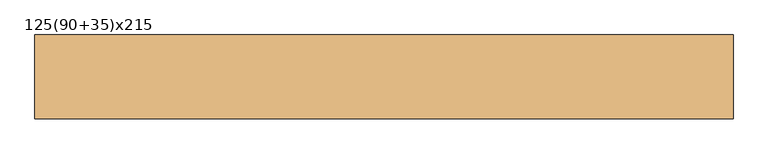
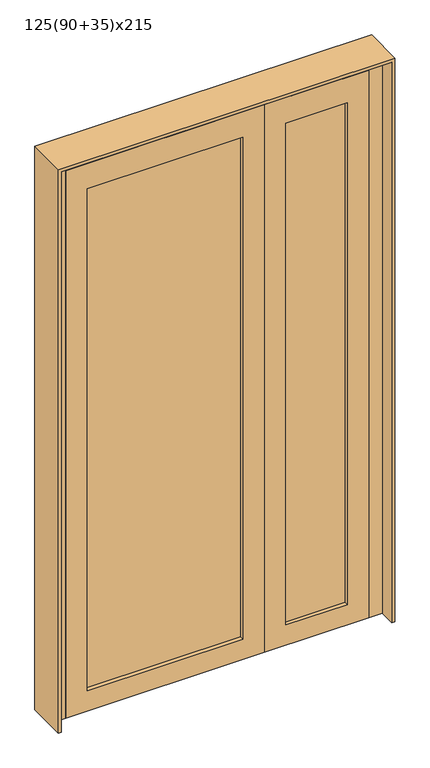
"""IFC4 building model written with IfcOpenShell, lengths in millimetres: door geometry, 125(90+35)x215."""

from ifc_helpers import new_model, si_unit, frame, origin, place, context, project, spatial, polyline, outline, extrude, source, transform, mapped, element, save


def door_125_90_35_x215_6d5ce191(model_context):
    return source(origin(), model_context, "Body", "SweptSolid", [
        extrude(outline(polyline([(95.0, 0.0), (-483.0, 0.0), (-483.0, 60.0), (95.0, 60.0), (95.0, 0.0)])), frame((0.0, 0.0, 80.0), z_axis=(0.0, 0.0, 1.0), x_axis=(1.0, 0.0, 0.0)), (0.0, 0.0, 1.0), 1970.0),
        extrude(outline(polyline([(483.0, 0.0), (255.0, 0.0), (255.0, 60.0), (483.0, 60.0), (483.0, 0.0)])), frame((0.0, 0.0, 80.0), z_axis=(0.0, 0.0, 1.0), x_axis=(1.0, 0.0, 0.0)), (0.0, 0.0, 1.0), 1970.0),
        extrude(outline(polyline([(0.0, 175.0), (2150.0, 175.0), (2150.0, -563.0), (0.0, -563.0), (0.0, 175.0)]), holes=[polyline([(80.0, -483.0), (2050.0, -483.0), (2050.0, 95.0), (80.0, 95.0), (80.0, -483.0)])]), frame((0.0, -15.0, 0.0), z_axis=(0.0, 1.0, 0.0), x_axis=(0.0, 0.0, 1.0)), (0.0, 0.0, 1.0), 90.0),
        extrude(outline(polyline([(2150.0, 563.0), (2150.0, 175.0), (0.0, 175.0), (0.0, 563.0), (2150.0, 563.0)]), holes=[polyline([(2050.0, 483.0), (80.0, 483.0), (80.0, 255.0), (2050.0, 255.0), (2050.0, 483.0)])]), frame((0.0, -15.0, 0.0), z_axis=(0.0, 1.0, 0.0), x_axis=(0.0, 0.0, 1.0)), (0.0, 0.0, 1.0), 90.0),
        extrude(outline(polyline([(2200.0, 613.0), (2200.0, -613.0), (0.0, -613.0), (0.0, -563.0), (2150.0, -563.0), (2150.0, 563.0), (0.0, 563.0), (0.0, 613.0), (2200.0, 613.0)])), frame((0.0, -15.0, 0.0), z_axis=(0.0, 1.0, 0.0), x_axis=(0.0, 0.0, 1.0)), (0.0, 0.0, 1.0), 90.0),
        extrude(outline(polyline([(0.0, 625.0), (2212.0, 625.0), (2212.0, -625.0), (0.0, -625.0), (0.0, -613.0), (2200.0, -613.0), (2200.0, 613.0), (0.0, 613.0), (0.0, 625.0)])), frame((0.0, -75.0, 0.0), z_axis=(0.0, 1.0, 0.0), x_axis=(0.0, 0.0, 1.0)), (0.0, 0.0, 1.0), 150.0),
    ])


if __name__ == "__main__":
    model = new_model("IFC4")
    model_context = context("Model", 3, world=origin())
    ifc_project = project(units=[si_unit("LENGTHUNIT", "METRE", prefix="MILLI")], contexts=[model_context])
    site = spatial("IfcSite", under=ifc_project)
    building = spatial("IfcBuilding", under=site)
    placement = place(None, origin())
    door_125_90_35_x215_shape = door_125_90_35_x215_6d5ce191(model_context)
    element("IfcDoor", 1, ObjectType="125(90+35)x215", at=placement, inside=building, context=model_context, shape_type="MappedRepresentation", body=[
        mapped(door_125_90_35_x215_shape, transform((0.0, 0.0, 0.0), x_axis=(1.0, 0.0, 0.0), y_axis=(0.0, 1.0, 0.0), z_axis=(0.0, 0.0, 1.0))),
    ])
    save(model, "model.ifc")
